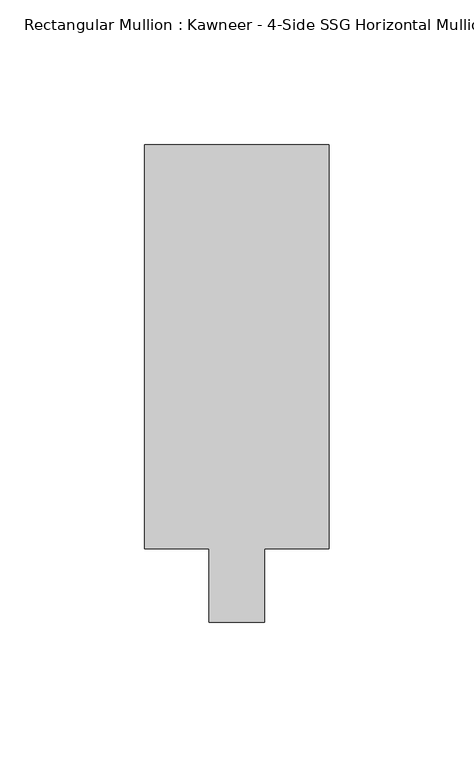
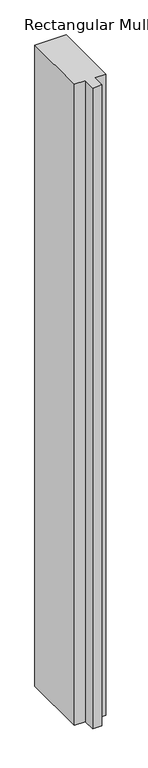
"""IFC4 building model written with IfcOpenShell, lengths in millimetres: member geometry."""

from ifc_helpers import new_model, si_unit, frame, origin, place, context, project, spatial, polyline, outline, extrude, source, transform, mapped, element, save


def member_763e8785(model_context):
    return source(origin(), model_context, "Body", "SweptSolid", [
        extrude(outline(polyline([(-31.75, 151.892), (31.75, 151.892), (31.75, 12.7), (9.5251132, 12.7), (9.5251132, -12.7), (-9.5251132, -12.7), (-9.5251132, 12.7), (-31.75, 12.7), (-31.75, 151.892)])), frame((0.0, 0.0, -1380.0432602), z_axis=(0.0, 0.0, 1.0), x_axis=(1.0, 0.0, 0.0)), (0.0, 0.0, 1.0), 1380.0432602),
    ])


if __name__ == "__main__":
    model = new_model("IFC4")
    model_context = context("Model", 3, world=origin())
    ifc_project = project(units=[si_unit("LENGTHUNIT", "METRE", prefix="MILLI")], contexts=[model_context])
    site = spatial("IfcSite", under=ifc_project)
    building = spatial("IfcBuilding", under=site)
    placement = place(None, origin())
    member_shape = member_763e8785(model_context)
    element("IfcMember", 1, ObjectType="Rectangular Mullion : Kawneer - 4-Side SSG Horizontal Mullion - 6 1/2\"", at=placement, inside=building, context=model_context, shape_type="MappedRepresentation", body=[
        mapped(member_shape, transform((0.0, 0.0, 0.0), x_axis=(1.0, 0.0, 0.0), y_axis=(0.0, 1.0, 0.0), z_axis=(0.0, 0.0, 1.0))),
    ])
    save(model, "model.ifc")
